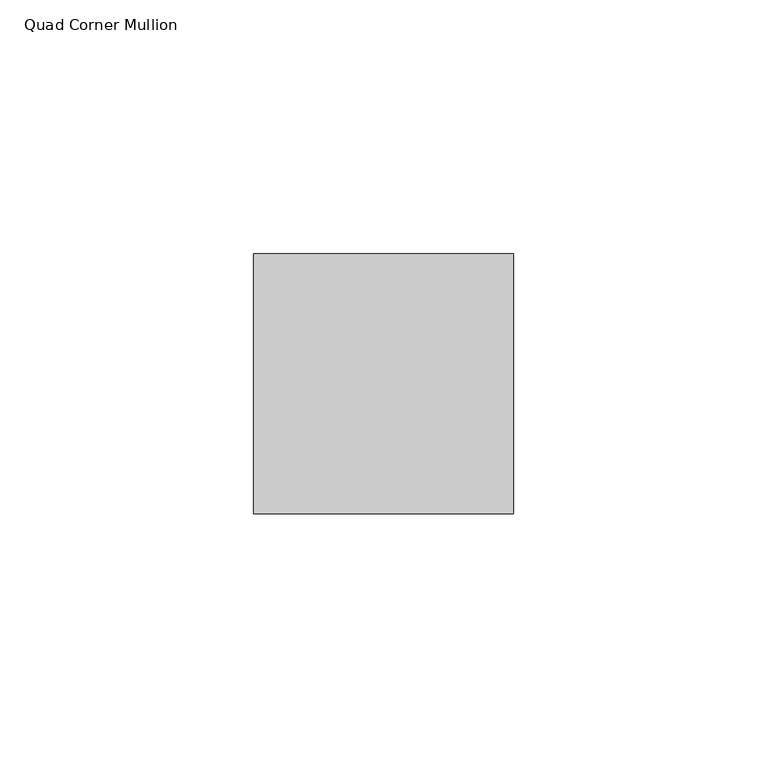
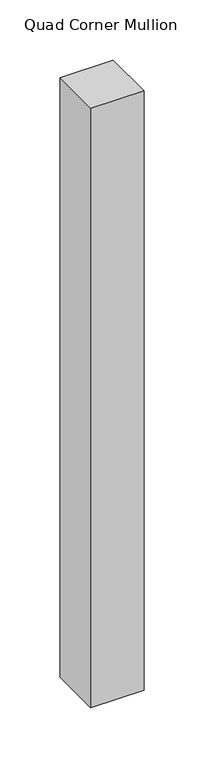
"""IFC4 building model written with IfcOpenShell, lengths in millimetres: member geometry, Quad Corner Mullion."""

import ifcopenshell
import ifcopenshell.guid

model = None  # the IFC model being written
_history = None  # IfcOwnerHistory: only IFC2X3 demands one
_inside = {}  # id of a spatial element -> (the spatial element, [elements in it])
_under = {}  # id of a project, library or spatial element -> (it, [spatial elements below it])
_declared = {}  # id of a project -> (the project, [libraries it declares])
_typed = {}  # id of a type object -> (the type object, [elements of that type])
_made_of = {}  # id of a material, layer set ... -> (it, [elements and type objects made of it])


def new_model(schema):
    """Start an empty IFC model of exactly this schema.

    Asked for "IFC4X3", IfcOpenShell would pick the latest addendum, in which some entities
    have other attributes; the version numbers below select the first issue.
    IFC2X3 requires an IfcOwnerHistory on every rooted entity: one is made here for all.
    """
    global model, _history
    if schema == "IFC4X3":
        model = ifcopenshell.file(schema_version=(4, 3, 0, 0))
    else:
        model = ifcopenshell.file(schema=schema)
    _inside.clear()
    _under.clear()
    _declared.clear()
    _typed.clear()
    _made_of.clear()
    _history = None
    if model.schema == "IFC2X3":
        org = make("IfcOrganization", Name="unknown")
        user = make(
            "IfcPersonAndOrganization",
            ThePerson=make("IfcPerson", FamilyName="unknown"),
            TheOrganization=org,
        )
        app = make(
            "IfcApplication",
            ApplicationDeveloper=org,
            Version="unknown",
            ApplicationFullName="unknown",
            ApplicationIdentifier="unknown",
        )
        _history = make(
            "IfcOwnerHistory",
            OwningUser=user,
            OwningApplication=app,
            ChangeAction="ADDED",
            CreationDate=0,
        )
    return model


def make(cls, **values):
    """One entity of the class cls with the attributes given. An attribute that is None is left unset."""
    return model.create_entity(
        cls, **{name: value for name, value in values.items() if value is not None}
    )


def rooted(cls, **values):
    """An entity with a GlobalId (a new one), such as an element, a storey or a relation."""
    return make(cls, GlobalId=ifcopenshell.guid.new(), OwnerHistory=_history, **values)


def si_unit(unit_type, name, prefix=None):
    """IfcSIUnit, for example si_unit("LENGTHUNIT", "METRE", prefix="MILLI")."""
    return make("IfcSIUnit", UnitType=unit_type, Prefix=prefix, Name=name)


def assignment(units):
    """IfcUnitAssignment: the units of a project."""
    return None if units is None else make("IfcUnitAssignment", Units=units)


def point(xyz):
    """IfcCartesianPoint."""
    return None if xyz is None else make("IfcCartesianPoint", Coordinates=xyz)


def direction(xyz):
    """IfcDirection."""
    return None if xyz is None else make("IfcDirection", DirectionRatios=xyz)


def frame(location, z_axis=None, x_axis=None):
    """IfcAxis2Placement3D, a coordinate frame: its origin and axes. An axis left out is left unset."""
    return make(
        "IfcAxis2Placement3D",
        Location=point(location),
        Axis=direction(z_axis),
        RefDirection=direction(x_axis),
    )


def origin():
    """The frame at (0, 0, 0) with its axes left unset."""
    return frame((0.0, 0.0, 0.0))


def place(relative_to, where):
    """IfcLocalPlacement: puts the frame where relative to a parent placement (None: the world)."""
    return make(
        "IfcLocalPlacement", PlacementRelTo=relative_to, RelativePlacement=where
    )


def context(
    kind, dimensions, precision=None, world=None, true_north=None, identifier=None
):
    """IfcGeometricRepresentationContext, for example the 3D "Model" context."""
    return make(
        "IfcGeometricRepresentationContext",
        ContextIdentifier=identifier,
        ContextType=kind,
        CoordinateSpaceDimension=dimensions,
        Precision=precision,
        WorldCoordinateSystem=world,
        TrueNorth=true_north,
    )


def project(units=None, contexts=None):
    """IfcProject with its units and contexts."""
    return rooted(
        "IfcProject",
        Name="project",
        RepresentationContexts=contexts,
        UnitsInContext=assignment(units),
    )


def spatial(cls, under=None, at=None, **own):
    """A site, building, storey or space (cls), placed at a placement, below another one or the project."""
    s = rooted(cls, ObjectPlacement=at, **own)
    if under is not None:
        _under.setdefault(under.id(), (under, []))[1].append(s)
    return s


def polyline(points):
    """IfcPolyline through the points."""
    return make("IfcPolyline", Points=[point(p) for p in points])


def outline(outer, holes=None, kind="AREA"):
    """IfcArbitraryClosedProfileDef: a profile drawn as a closed curve; with holes, ...WithVoids."""
    if holes is None:
        return make("IfcArbitraryClosedProfileDef", ProfileType=kind, OuterCurve=outer)
    return make(
        "IfcArbitraryProfileDefWithVoids",
        ProfileType=kind,
        OuterCurve=outer,
        InnerCurves=holes,
    )


def extrude(swept, where, along, depth):
    """IfcExtrudedAreaSolid: the profile swept, set in the frame where, extruded along a direction by depth."""
    return make(
        "IfcExtrudedAreaSolid",
        SweptArea=swept,
        Position=where,
        ExtrudedDirection=direction(along),
        Depth=depth,
    )


def shape(context_of_items, identifier, shape_type, items):
    """IfcShapeRepresentation: the items that make up one representation, for example the "Body"."""
    return make(
        "IfcShapeRepresentation",
        ContextOfItems=context_of_items,
        RepresentationIdentifier=identifier,
        RepresentationType=shape_type,
        Items=items,
    )


def source(mapping_origin, context_of_items, identifier, shape_type, items):
    """IfcRepresentationMap: a shape defined once, which mapped items show again and again."""
    return make(
        "IfcRepresentationMap",
        MappingOrigin=mapping_origin,
        MappedRepresentation=shape(context_of_items, identifier, shape_type, items),
    )


def transform(
    local_origin,
    x_axis=None,
    y_axis=None,
    z_axis=None,
    scale=None,
    scale2=None,
    scale3=None,
    uniform=True,
):
    """IfcCartesianTransformationOperator3D, or its non-uniform kind. x_axis, y_axis, z_axis: its Axis1, 2, 3."""
    if uniform:
        return make(
            "IfcCartesianTransformationOperator3D",
            Axis1=direction(x_axis),
            Axis2=direction(y_axis),
            LocalOrigin=point(local_origin),
            Scale=scale,
            Axis3=direction(z_axis),
        )
    return make(
        "IfcCartesianTransformationOperator3DnonUniform",
        Axis1=direction(x_axis),
        Axis2=direction(y_axis),
        LocalOrigin=point(local_origin),
        Scale=scale,
        Axis3=direction(z_axis),
        Scale2=scale2,
        Scale3=scale3,
    )


def mapped(mapping_source, mapping_target):
    """IfcMappedItem: shows the shape of a source again, moved by a transform."""
    return make(
        "IfcMappedItem", MappingSource=mapping_source, MappingTarget=mapping_target
    )


def made_of(thing, what):
    """Note that an element or type object is made of a material, layer set ...; save() writes the relation."""
    if what is not None:
        _made_of.setdefault(what.id(), (what, []))[1].append(thing)
    return thing


def element(
    cls,
    number,
    at=None,
    inside=None,
    cuts=None,
    type_object=None,
    material=None,
    context=None,
    identifier="Body",
    shape_type=None,
    held_by="IfcProductDefinitionShape",
    body=None,
    shapes=None,
    **own,
):
    """One element of the class cls, such as IfcWall. Its Tag is "e" and its number.

    at: its placement. inside: the storey or other place that contains it. cuts: it is an
    opening in that element (IfcRelVoidsElement). A single representation is given by context,
    identifier, shape_type and body (its items); several are given by shapes. held_by: the class
    of the entity that holds the representations. save() writes the other relations.
    """
    e = rooted(cls, Tag="e%d" % number, ObjectPlacement=at, **own)
    if body is not None:
        shapes = [shape(context, identifier, shape_type, body)]
    if shapes is not None:
        e.Representation = make(held_by, Representations=shapes)
    if inside is not None:
        _inside.setdefault(inside.id(), (inside, []))[1].append(e)
    if cuts is not None:
        rooted(
            "IfcRelVoidsElement", RelatingBuildingElement=cuts, RelatedOpeningElement=e
        )
    if type_object is not None:
        _typed.setdefault(type_object.id(), (type_object, []))[1].append(e)
    return made_of(e, material)


def aggregate(whole, parts):
    """IfcRelAggregates: a whole, such as a stair, and the parts it consists of."""
    return rooted("IfcRelAggregates", RelatingObject=whole, RelatedObjects=parts)


def save(model, path):
    """Write the relations noted so far, then the file.

    IfcRelAggregates (storeys below a building ...), IfcRelContainedInSpatialStructure (elements
    in a storey), IfcRelDefinesByType, IfcRelAssociatesMaterial and IfcRelDeclares: one each for
    every whole, place, type object, material and project.
    """
    for whole, parts in _under.values():
        aggregate(whole, parts)
    for where, things in _inside.values():
        rooted(
            "IfcRelContainedInSpatialStructure",
            RelatedElements=things,
            RelatingStructure=where,
        )
    for kind, things in _typed.values():
        rooted("IfcRelDefinesByType", RelatedObjects=things, RelatingType=kind)
    for what, things in _made_of.values():
        rooted("IfcRelAssociatesMaterial", RelatedObjects=things, RelatingMaterial=what)
    for by, libraries in _declared.values():
        rooted("IfcRelDeclares", RelatingContext=by, RelatedDefinitions=libraries)
    model.write(path)


def quad_corner_mullion_9e20327b(model_context):
    return source(origin(), model_context, "Body", "SweptSolid", [
        extrude(outline(polyline([(12.7496094, -38.5464844), (-38.5464844, -38.5464844), (-38.5464844, 12.7496094), (12.7496094, 12.7496094), (12.7496094, -38.5464844)])), frame((0.0, 0.0, -609.6), z_axis=(0.0, 0.0, 1.0), x_axis=(1.0, 0.0, 0.0)), (0.0, 0.0, 1.0), 609.6),
    ])


if __name__ == "__main__":
    model = new_model("IFC4")
    model_context = context("Model", 3, world=origin())
    ifc_project = project(units=[si_unit("LENGTHUNIT", "METRE", prefix="MILLI")], contexts=[model_context])
    site = spatial("IfcSite", under=ifc_project)
    building = spatial("IfcBuilding", under=site)
    placement = place(None, origin())
    quad_corner_mullion_shape = quad_corner_mullion_9e20327b(model_context)
    element("IfcMember", 1, ObjectType="Quad Corner Mullion", at=placement, inside=building, context=model_context, shape_type="MappedRepresentation", body=[
        mapped(quad_corner_mullion_shape, transform((0.0, 0.0, 0.0), x_axis=(1.0, 0.0, 0.0), y_axis=(0.0, 1.0, 0.0), z_axis=(0.0, 0.0, 1.0))),
    ])
    save(model, "model.ifc")
